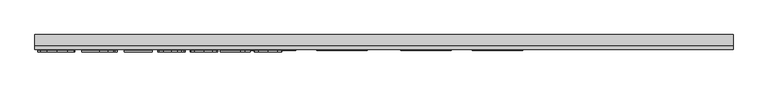
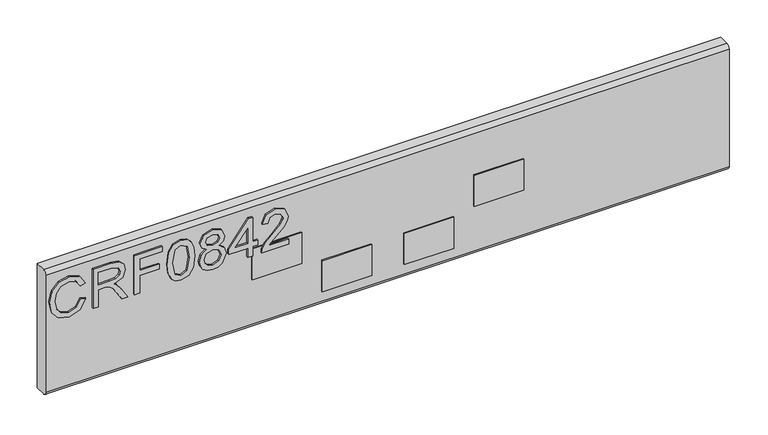
"""IFC4 building model written with IfcOpenShell, lengths in millimetres: furniture geometry."""

from ifc_helpers import new_model, si_unit, point, frame, frame_2d, origin, place, context, project, spatial, polyline, circle_curve, trimmed, segment, composite_curve, outline, extrude, source, transform, mapped, element, save


def furniture_8a55fdac(model_context):
    return source(origin(), model_context, "Body", "SweptSolid", [
        extrude(outline(polyline([(905.3252652, -802.6680206), (893.5827171, -809.4347807), (889.6270047, -821.636752), (892.5314943, -832.6395507), (901.307258, -840.1304865), (915.0432359, -842.5366187), (926.8947997, -840.5042546), (936.0521183, -833.4571684), (939.4627523, -820.9826579), (936.3869522, -810.2056774), (926.5833263, -803.6647356), (928.4833141, -795.6910159), (942.4684708, -804.7003847), (947.4364719, -820.6711844), (943.597562, -835.9956768), (932.3611582, -846.7337231), (915.0276623, -850.5103383), (897.9744924, -847.1697859), (885.8426026, -837.4362414), (881.653285, -820.8424948), (887.1897251, -804.1475194), (903.2695406, -794.694301), (905.3252652, -802.6680206)])), frame((0.0, 1146.9916162, 0.0), z_axis=(0.0, 1.0, 0.0), x_axis=(0.0, 0.0, 1.0)), (0.0, 0.0, 1.0), 2.38125),
        extrude(outline(polyline([(882.65, -783.7304365), (882.65, -775.7567169), (910.5580187, -775.7567169), (910.5580187, -766.1321881), (910.2776926, -761.5068078), (908.7592596, -757.7146189), (904.62445, -753.5019409), (895.8720468, -747.5060775), (882.65, -739.2053108), (882.65, -729.9389764), (899.936775, -740.5757938), (908.1440996, -747.0388673), (911.5547336, -751.5708056), (917.4883023, -738.2163826), (928.9816716, -733.8946889), (938.6295609, -736.5032788), (944.7188663, -743.4802835), (946.4397569, -756.242907), (946.4397569, -783.7304365), (882.65, -783.7304365)]), holes=[polyline([(918.5317383, -775.7567169), (938.4660373, -775.7567169), (938.4660373, -755.9002862), (935.7094975, -745.2401083), (928.6857719, -741.8684085), (923.2739211, -743.6360202), (919.6608294, -748.806479), (918.5317383, -757.9092898), (918.5317383, -775.7567169)])]), frame((0.0, 1146.9916162, 0.0), z_axis=(0.0, 1.0, 0.0), x_axis=(0.0, 0.0, 1.0)), (0.0, 0.0, 1.0), 2.38125),
        extrude(outline(polyline([(882.65, -719.9406796), (882.65, -711.96696), (911.5547336, -711.96696), (911.5547336, -682.0655114), (919.5284532, -682.0655114), (919.5284532, -711.96696), (938.4660373, -711.96696), (938.4660373, -677.0819366), (946.4397569, -677.0819366), (946.4397569, -719.9406796), (882.65, -719.9406796)])), frame((0.0, 1146.9916162, 0.0), z_axis=(0.0, 1.0, 0.0), x_axis=(0.0, 0.0, 1.0)), (0.0, 0.0, 1.0), 2.38125),
        extrude(outline(polyline([(914.0309473, -669.108217), (898.5156775, -667.5197026), (887.7270168, -662.7541592), (883.171718, -656.4623961), (881.653285, -648.177203), (885.1495742, -636.5047365), (895.7552443, -629.566666), (914.0309473, -627.246189), (929.0206058, -628.6945404), (938.4582505, -632.4322215), (944.3840324, -638.8641477), (946.4397569, -648.177203), (942.9668283, -659.8029485), (932.3845188, -666.7643795), (914.0309473, -669.108217)]), holes=[polyline([(914.046521, -661.1344974), (934.1988514, -657.272227), (938.4660373, -648.270645), (933.6226256, -638.8330003), (914.046521, -635.2199086), (894.2601718, -638.9575897), (889.6270047, -648.177203), (894.2445982, -657.3968163), (914.046521, -661.1344974)])]), frame((0.0, 1146.9916162, 0.0), z_axis=(0.0, 1.0, 0.0), x_axis=(0.0, 0.0, 1.0)), (0.0, 0.0, 1.0), 2.38125),
        extrude(outline(polyline([(917.7842021, -608.6512257), (911.9907964, -617.2478921), (901.4318474, -620.2691843), (893.6742125, -618.8286198), (887.3143145, -614.506926), (883.0685424, -607.833608), (881.653285, -599.3381704), (883.0627023, -590.8427327), (887.290954, -584.1694147), (901.213816, -578.4071564), (911.5313731, -581.311646), (917.7842021, -589.7915099), (922.713269, -582.7288501), (930.2275653, -580.4005863), (941.7209346, -585.6333398), (946.4397569, -599.447186), (941.8299503, -613.136443), (930.4455967, -618.2757544), (922.7366295, -615.9163433), (917.7842021, -608.6512257)]), holes=[polyline([(930.2119916, -610.3020348), (936.0365446, -607.4286925), (938.4660373, -599.3381704), (935.9820368, -591.2710087), (929.8537972, -588.3743059), (923.9358022, -591.1775667), (921.5218831, -599.2447283), (923.9513758, -607.4754135), (930.2119916, -610.3020348)]), polyline([(901.7121735, -612.2954647), (910.1686769, -608.9237649), (913.5481635, -599.5406281), (910.1219559, -589.884952), (901.4629947, -586.380876), (892.9675571, -589.7759363), (889.6270047, -599.2758757), (891.2155191, -606.2528803), (895.7085232, -610.9639158), (901.7121735, -612.2954647)])]), frame((0.0, 1146.9916162, 0.0), z_axis=(0.0, 1.0, 0.0), x_axis=(0.0, 0.0, 1.0)), (0.0, 0.0, 1.0), 2.38125),
        extrude(outline(polyline([(882.65, -545.5155629), (882.65, -537.5418433), (897.6007243, -537.5418433), (897.6007243, -529.5681237), (905.5744439, -529.5681237), (905.5744439, -537.5418433), (945.443042, -537.5418433), (945.443042, -543.522133), (905.5744439, -574.4202965), (897.6007243, -574.4202965), (897.6007243, -545.5155629), (882.65, -545.5155629)]), holes=[polyline([(905.5744439, -545.5155629), (905.5744439, -564.6088837), (930.2119916, -545.5155629), (905.5744439, -545.5155629)])]), frame((0.0, 1146.9916162, 0.0), z_axis=(0.0, 1.0, 0.0), x_axis=(0.0, 0.0, 1.0)), (0.0, 0.0, 1.0), 2.38125),
        extrude(outline(polyline([(890.6237196, -481.725806), (890.6237196, -513.0444586), (894.6806609, -509.4469406), (902.350694, -500.2740483), (913.2756243, -488.8507605), (921.0936072, -484.139725), (928.6546245, -482.7225209), (941.3315928, -487.9786349), (946.4397569, -502.2519045), (941.845524, -516.4784531), (928.4988878, -522.591119), (927.5021729, -514.6173994), (935.5537608, -511.2612733), (938.4660373, -502.4232149), (935.4836793, -493.943351), (928.1718407, -490.6962406), (919.1391115, -494.1380219), (905.85477, -507.9051472), (896.6117962, -517.8878703), (888.1475059, -522.7312821), (882.65, -523.587834), (882.65, -481.725806), (890.6237196, -481.725806)])), frame((0.0, 1146.9916162, 0.0), z_axis=(0.0, 1.0, 0.0), x_axis=(0.0, 0.0, 1.0)), (0.0, 0.0, 1.0), 2.38125),
        extrude(outline(polyline([(-194.0971981, 1150.9603662), (-117.8971981, 1150.9603662), (-117.8971981, 1149.3728662), (-194.0971981, 1149.3728662), (-194.0971981, 1150.9603662)])), frame((0.0, 0.0, 841.374997), z_axis=(0.0, 0.0, 1.0), x_axis=(1.0, 0.0, 0.0)), (0.0, 0.0, 1.0), 50.8000061),
        extrude(outline(polyline([(-536.9971981, 1150.9603662), (-460.7971981, 1150.9603662), (-460.7971981, 1149.3728662), (-536.9971981, 1149.3728662), (-536.9971981, 1150.9603662)])), frame((0.0, 0.0, 841.374997), z_axis=(0.0, 0.0, 1.0), x_axis=(1.0, 0.0, 0.0)), (0.0, 0.0, 1.0), 50.8000061),
        extrude(outline(polyline([(-429.0471921, 1150.9603662), (-352.8471921, 1150.9603662), (-352.8471921, 1149.3728662), (-429.0471921, 1149.3728662), (-429.0471921, 1150.9603662)])), frame((0.0, 0.0, 784.2249992), z_axis=(0.0, 0.0, 1.0), x_axis=(1.0, 0.0, 0.0)), (0.0, 0.0, 1.0), 50.7999992),
        extrude(outline(polyline([(-302.047186, 1150.9603662), (-225.847186, 1150.9603662), (-225.847186, 1149.3728662), (-302.047186, 1149.3728662), (-302.047186, 1150.9603662)])), frame((0.0, 0.0, 784.2249992), z_axis=(0.0, 0.0, 1.0), x_axis=(1.0, 0.0, 0.0)), (0.0, 0.0, 1.0), 50.7999992),
        extrude(outline(composite_curve([segment(trimmed(circle_curve(frame_2d((1156.9134912, 959.2468811)), 5.953125), [point((1150.9603662, 959.2468811))], [point((1156.9134912, 965.2000061))], False, "CARTESIAN"), True, "CONTINUOUS"), segment(polyline([(1156.9134912, 965.2000061), (1173.1853662, 965.2000061), (1173.1853662, 762.0), (1156.9134912, 762.0)]), True, "CONTINUOUS"), segment(trimmed(circle_curve(frame_2d((1156.9134912, 767.953125)), 5.953125), [point((1156.9134912, 762.0))], [point((1150.9603662, 767.953125))], False, "CARTESIAN"), True, "CONTINUOUS"), segment(polyline([(1150.9603662, 767.953125), (1150.9603662, 959.2468811)]), True, "CONTINUOUS")], self_intersect=False)), frame((-854.4971981, 0.0, 0.0), z_axis=(1.0, 0.0, 0.0), x_axis=(0.0, 1.0, 0.0)), (0.0, 0.0, 1.0), 1054.1),
    ])


if __name__ == "__main__":
    model = new_model("IFC4")
    model_context = context("Model", 3, world=origin())
    ifc_project = project(units=[si_unit("LENGTHUNIT", "METRE", prefix="MILLI")], contexts=[model_context])
    site = spatial("IfcSite", under=ifc_project)
    building = spatial("IfcBuilding", under=site)
    placement = place(None, origin())
    furniture_shape = furniture_8a55fdac(model_context)
    element("IfcFurniture", 1, at=placement, inside=building, context=model_context, shape_type="MappedRepresentation", body=[
        mapped(furniture_shape, transform((0.0, 0.0, 0.0), x_axis=(1.0, 0.0, 0.0), y_axis=(0.0, 1.0, 0.0), z_axis=(0.0, 0.0, 1.0))),
    ])
    save(model, "model.ifc")
